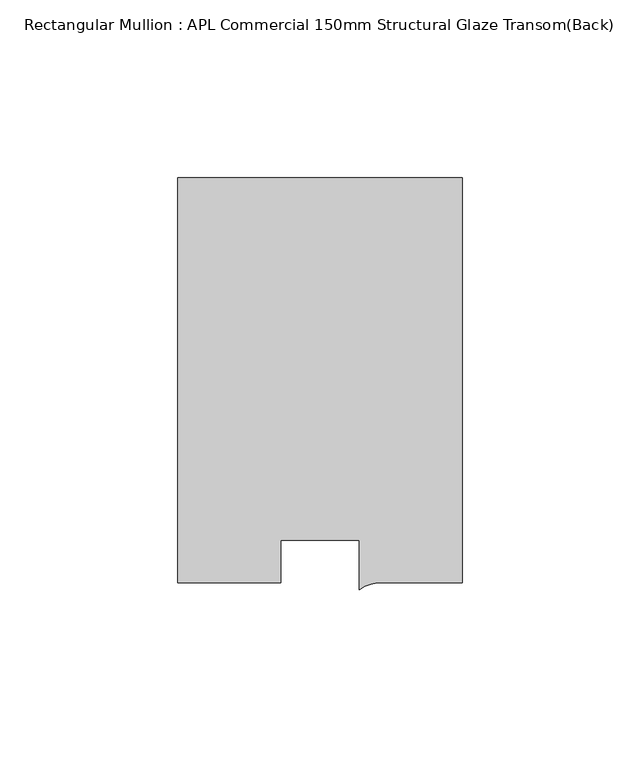
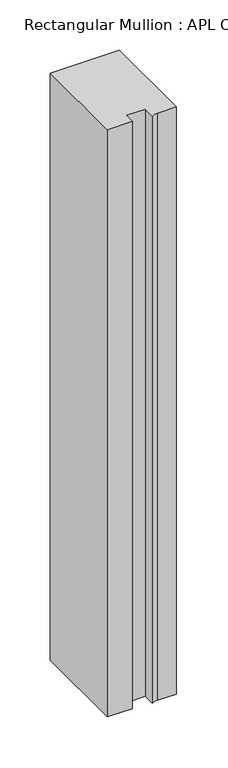
"""IFC4 building model written with IfcOpenShell, lengths in millimetres: member geometry, Rectangular Mullion : APL Commercial 150mm Structural Glaze Transom(Back)."""

from ifc_helpers import new_model, si_unit, point, frame, frame_2d, origin, place, context, project, spatial, polyline, circle_curve, trimmed, segment, composite_curve, outline, extrude, source, transform, mapped, element, save


def rectangular_mullion_apl_commercial_150mm_structural_glaze_b3924a45(model_context):
    return source(origin(), model_context, "Body", "SweptSolid", [
        extrude(outline(composite_curve([segment(polyline([(40.0, 128.9999975), (40.0, 15.0000829), (17.9999542, 15.0000829)]), True, "CONTINUOUS"), segment(trimmed(circle_curve(frame_2d((17.1097719, 4.581653)), 10.4563907), [point((17.9999542, 15.0000829))], [point((11.0000151, 13.0673455))], True, "CARTESIAN"), True, "CONTINUOUS"), segment(polyline([(11.0000151, 13.0673455), (11.0000151, 27.0), (-11.0000151, 27.0), (-11.0000151, 15.0000829), (-40.0, 15.0000829), (-40.0, 128.9999975), (40.0, 128.9999975)]), True, "CONTINUOUS")], self_intersect=False)), frame((0.0, 0.0, -716.0468124), z_axis=(0.0, 0.0, 1.0), x_axis=(1.0, 0.0, 0.0)), (0.0, 0.0, 1.0), 716.0468124),
    ])


if __name__ == "__main__":
    model = new_model("IFC4")
    model_context = context("Model", 3, world=origin())
    ifc_project = project(units=[si_unit("LENGTHUNIT", "METRE", prefix="MILLI")], contexts=[model_context])
    site = spatial("IfcSite", under=ifc_project)
    building = spatial("IfcBuilding", under=site)
    placement = place(None, origin())
    rectangular_mullion_apl_commercial_150mm_structural_glaze_shape = rectangular_mullion_apl_commercial_150mm_structural_glaze_b3924a45(model_context)
    element("IfcMember", 1, ObjectType="Rectangular Mullion : APL Commercial 150mm Structural Glaze Transom(Back)", at=placement, inside=building, context=model_context, shape_type="MappedRepresentation", body=[
        mapped(rectangular_mullion_apl_commercial_150mm_structural_glaze_shape, transform((0.0, 0.0, 0.0), x_axis=(1.0, 0.0, 0.0), y_axis=(0.0, 1.0, 0.0), z_axis=(0.0, 0.0, 1.0))),
    ])
    save(model, "model.ifc")
